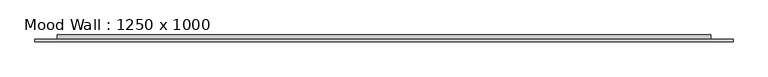
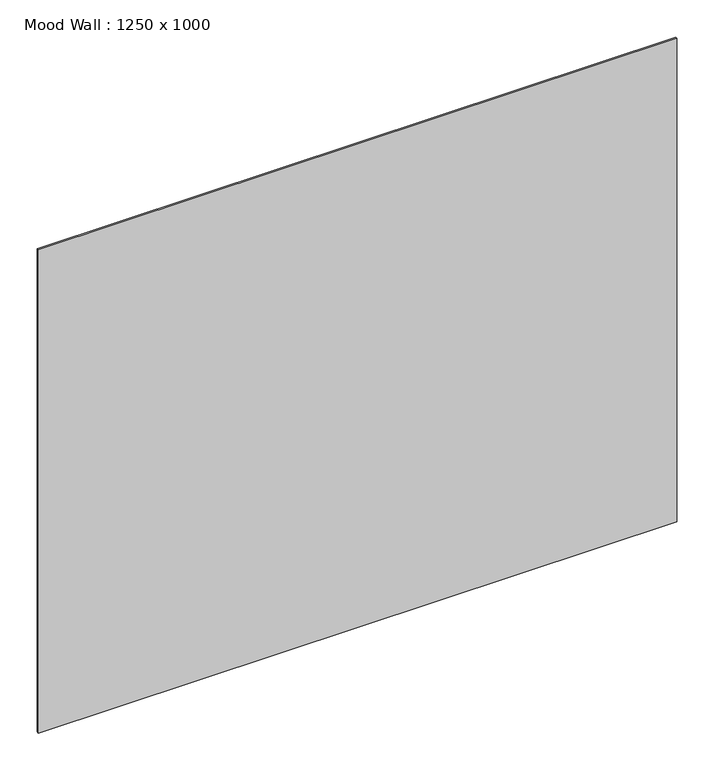
"""IFC4 building model written with IfcOpenShell, lengths in millimetres: furniture geometry, Mood Wall : 1250 x 1000."""

from ifc_helpers import new_model, si_unit, frame, origin, origin_with_axes, place, context, project, spatial, polyline, outline, extrude, source, transform, mapped, element, save


def mood_wall_1250_x_1000_462e4a02(model_context):
    return source(origin(), model_context, "Body", "SweptSolid", [
        extrude(outline(polyline([(624.9789063, -8.0), (624.9789063, -12.0), (-624.9789062, -12.0), (-624.9789062, -8.0), (624.9789063, -8.0)])), origin_with_axes(), (0.0, 0.0, 1.0), 1000.0257813),
        extrude(outline(polyline([(584.9789063, 0.0), (584.9789063, -8.0), (-584.9789062, -8.0), (-584.9789062, 0.0), (584.9789063, 0.0)])), frame((0.0, 0.0, 40.0), z_axis=(0.0, 0.0, 1.0), x_axis=(1.0, 0.0, 0.0)), (0.0, 0.0, 1.0), 920.0257812),
    ])


if __name__ == "__main__":
    model = new_model("IFC4")
    model_context = context("Model", 3, world=origin())
    ifc_project = project(units=[si_unit("LENGTHUNIT", "METRE", prefix="MILLI")], contexts=[model_context])
    site = spatial("IfcSite", under=ifc_project)
    building = spatial("IfcBuilding", under=site)
    placement = place(None, origin())
    mood_wall_1250_x_1000_shape = mood_wall_1250_x_1000_462e4a02(model_context)
    element("IfcFurniture", 1, ObjectType="Mood Wall : 1250 x 1000", at=placement, inside=building, context=model_context, shape_type="MappedRepresentation", body=[
        mapped(mood_wall_1250_x_1000_shape, transform((0.0, 0.0, 0.0), x_axis=(1.0, 0.0, 0.0), y_axis=(0.0, 1.0, 0.0), z_axis=(0.0, 0.0, 1.0))),
    ])
    save(model, "model.ifc")
